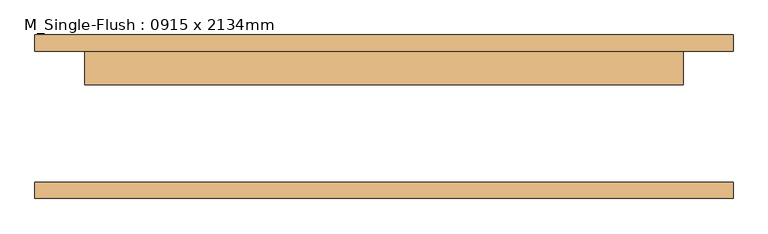
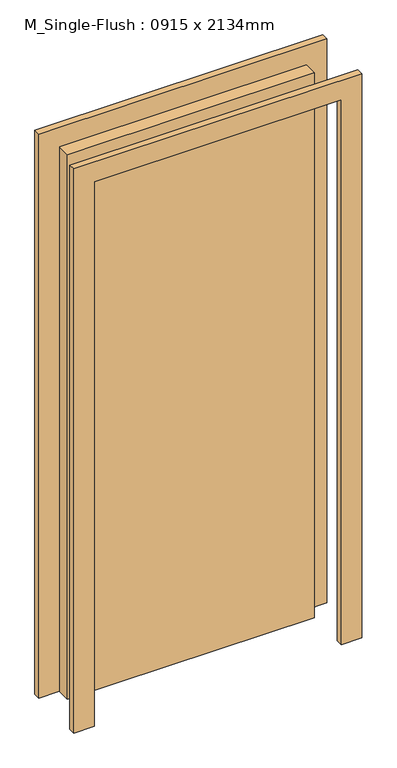
"""IFC4 building model written with IfcOpenShell, lengths in millimetres: door geometry, M_Single-Flush : 0915 x 2134mm."""

from ifc_helpers import new_model, si_unit, frame, origin, origin_with_axes, place, context, project, spatial, polyline, outline, extrude, source, transform, mapped, element, save


def m_single_flush_0915_x_2134mm_6a9e8738(model_context):
    return source(origin(), model_context, "Body", "SweptSolid", [
        extrude(outline(polyline([(2210.0, -533.5), (0.0, -533.5), (0.0, -457.5), (2134.0, -457.5), (2134.0, 457.5), (0.0, 457.5), (0.0, 533.5), (2210.0, 533.5), (2210.0, -533.5)])), frame((0.0, 100.0, 0.0), z_axis=(0.0, 1.0, 0.0), x_axis=(0.0, 0.0, 1.0)), (0.0, 0.0, 1.0), 25.0),
        extrude(outline(polyline([(2210.0, 533.5), (2210.0, -533.5), (0.0, -533.5), (0.0, -457.5), (2134.0, -457.5), (2134.0, 457.5), (0.0, 457.5), (0.0, 533.5), (2210.0, 533.5)])), frame((0.0, -125.0, 0.0), z_axis=(0.0, 1.0, 0.0), x_axis=(0.0, 0.0, 1.0)), (0.0, 0.0, 1.0), 25.0),
        extrude(outline(polyline([(457.5, 49.0), (-457.5, 49.0), (-457.5, 100.0), (457.5, 100.0), (457.5, 49.0)])), origin_with_axes(), (0.0, 0.0, 1.0), 2134.0),
    ])


if __name__ == "__main__":
    model = new_model("IFC4")
    model_context = context("Model", 3, world=origin())
    ifc_project = project(units=[si_unit("LENGTHUNIT", "METRE", prefix="MILLI")], contexts=[model_context])
    site = spatial("IfcSite", under=ifc_project)
    building = spatial("IfcBuilding", under=site)
    placement = place(None, origin())
    m_single_flush_0915_x_2134mm_shape = m_single_flush_0915_x_2134mm_6a9e8738(model_context)
    element("IfcDoor", 1, ObjectType="M_Single-Flush : 0915 x 2134mm", at=placement, inside=building, context=model_context, shape_type="MappedRepresentation", body=[
        mapped(m_single_flush_0915_x_2134mm_shape, transform((0.0, 0.0, 0.0), x_axis=(1.0, 0.0, 0.0), y_axis=(0.0, 1.0, 0.0), z_axis=(0.0, 0.0, 1.0))),
    ])
    save(model, "model.ifc")
